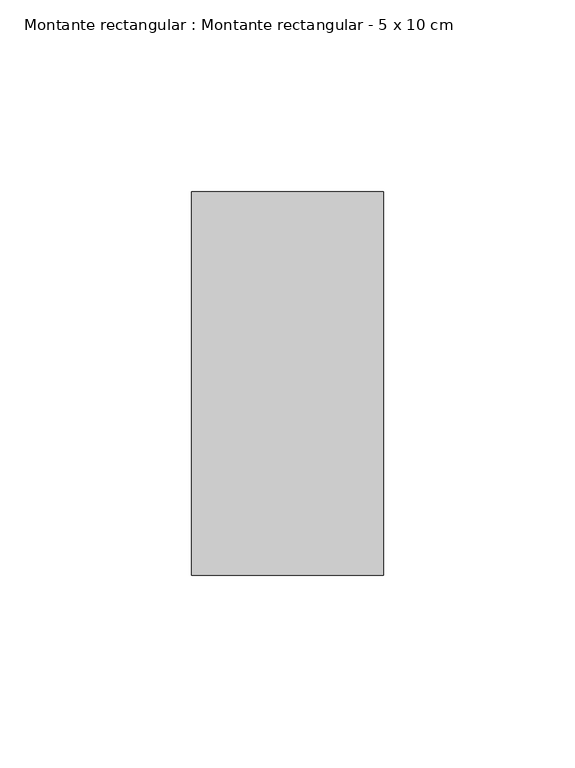
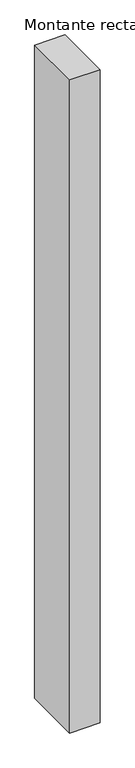
"""IFC4 building model written with IfcOpenShell, lengths in millimetres: member geometry, Montante rectangular : Montante rectangular - 5 x 10 cm."""

import ifcopenshell
import ifcopenshell.guid

model = None  # the IFC model being written
_history = None  # IfcOwnerHistory: only IFC2X3 demands one
_inside = {}  # id of a spatial element -> (the spatial element, [elements in it])
_under = {}  # id of a project, library or spatial element -> (it, [spatial elements below it])
_declared = {}  # id of a project -> (the project, [libraries it declares])
_typed = {}  # id of a type object -> (the type object, [elements of that type])
_made_of = {}  # id of a material, layer set ... -> (it, [elements and type objects made of it])


def new_model(schema):
    """Start an empty IFC model of exactly this schema.

    Asked for "IFC4X3", IfcOpenShell would pick the latest addendum, in which some entities
    have other attributes; the version numbers below select the first issue.
    IFC2X3 requires an IfcOwnerHistory on every rooted entity: one is made here for all.
    """
    global model, _history
    if schema == "IFC4X3":
        model = ifcopenshell.file(schema_version=(4, 3, 0, 0))
    else:
        model = ifcopenshell.file(schema=schema)
    _inside.clear()
    _under.clear()
    _declared.clear()
    _typed.clear()
    _made_of.clear()
    _history = None
    if model.schema == "IFC2X3":
        org = make("IfcOrganization", Name="unknown")
        user = make(
            "IfcPersonAndOrganization",
            ThePerson=make("IfcPerson", FamilyName="unknown"),
            TheOrganization=org,
        )
        app = make(
            "IfcApplication",
            ApplicationDeveloper=org,
            Version="unknown",
            ApplicationFullName="unknown",
            ApplicationIdentifier="unknown",
        )
        _history = make(
            "IfcOwnerHistory",
            OwningUser=user,
            OwningApplication=app,
            ChangeAction="ADDED",
            CreationDate=0,
        )
    return model


def make(cls, **values):
    """One entity of the class cls with the attributes given. An attribute that is None is left unset."""
    return model.create_entity(
        cls, **{name: value for name, value in values.items() if value is not None}
    )


def rooted(cls, **values):
    """An entity with a GlobalId (a new one), such as an element, a storey or a relation."""
    return make(cls, GlobalId=ifcopenshell.guid.new(), OwnerHistory=_history, **values)


def si_unit(unit_type, name, prefix=None):
    """IfcSIUnit, for example si_unit("LENGTHUNIT", "METRE", prefix="MILLI")."""
    return make("IfcSIUnit", UnitType=unit_type, Prefix=prefix, Name=name)


def assignment(units):
    """IfcUnitAssignment: the units of a project."""
    return None if units is None else make("IfcUnitAssignment", Units=units)


def point(xyz):
    """IfcCartesianPoint."""
    return None if xyz is None else make("IfcCartesianPoint", Coordinates=xyz)


def direction(xyz):
    """IfcDirection."""
    return None if xyz is None else make("IfcDirection", DirectionRatios=xyz)


def frame(location, z_axis=None, x_axis=None):
    """IfcAxis2Placement3D, a coordinate frame: its origin and axes. An axis left out is left unset."""
    return make(
        "IfcAxis2Placement3D",
        Location=point(location),
        Axis=direction(z_axis),
        RefDirection=direction(x_axis),
    )


def origin():
    """The frame at (0, 0, 0) with its axes left unset."""
    return frame((0.0, 0.0, 0.0))


def place(relative_to, where):
    """IfcLocalPlacement: puts the frame where relative to a parent placement (None: the world)."""
    return make(
        "IfcLocalPlacement", PlacementRelTo=relative_to, RelativePlacement=where
    )


def context(
    kind, dimensions, precision=None, world=None, true_north=None, identifier=None
):
    """IfcGeometricRepresentationContext, for example the 3D "Model" context."""
    return make(
        "IfcGeometricRepresentationContext",
        ContextIdentifier=identifier,
        ContextType=kind,
        CoordinateSpaceDimension=dimensions,
        Precision=precision,
        WorldCoordinateSystem=world,
        TrueNorth=true_north,
    )


def project(units=None, contexts=None):
    """IfcProject with its units and contexts."""
    return rooted(
        "IfcProject",
        Name="project",
        RepresentationContexts=contexts,
        UnitsInContext=assignment(units),
    )


def spatial(cls, under=None, at=None, **own):
    """A site, building, storey or space (cls), placed at a placement, below another one or the project."""
    s = rooted(cls, ObjectPlacement=at, **own)
    if under is not None:
        _under.setdefault(under.id(), (under, []))[1].append(s)
    return s


def polyline(points):
    """IfcPolyline through the points."""
    return make("IfcPolyline", Points=[point(p) for p in points])


def outline(outer, holes=None, kind="AREA"):
    """IfcArbitraryClosedProfileDef: a profile drawn as a closed curve; with holes, ...WithVoids."""
    if holes is None:
        return make("IfcArbitraryClosedProfileDef", ProfileType=kind, OuterCurve=outer)
    return make(
        "IfcArbitraryProfileDefWithVoids",
        ProfileType=kind,
        OuterCurve=outer,
        InnerCurves=holes,
    )


def extrude(swept, where, along, depth):
    """IfcExtrudedAreaSolid: the profile swept, set in the frame where, extruded along a direction by depth."""
    return make(
        "IfcExtrudedAreaSolid",
        SweptArea=swept,
        Position=where,
        ExtrudedDirection=direction(along),
        Depth=depth,
    )


def shape(context_of_items, identifier, shape_type, items):
    """IfcShapeRepresentation: the items that make up one representation, for example the "Body"."""
    return make(
        "IfcShapeRepresentation",
        ContextOfItems=context_of_items,
        RepresentationIdentifier=identifier,
        RepresentationType=shape_type,
        Items=items,
    )


def source(mapping_origin, context_of_items, identifier, shape_type, items):
    """IfcRepresentationMap: a shape defined once, which mapped items show again and again."""
    return make(
        "IfcRepresentationMap",
        MappingOrigin=mapping_origin,
        MappedRepresentation=shape(context_of_items, identifier, shape_type, items),
    )


def transform(
    local_origin,
    x_axis=None,
    y_axis=None,
    z_axis=None,
    scale=None,
    scale2=None,
    scale3=None,
    uniform=True,
):
    """IfcCartesianTransformationOperator3D, or its non-uniform kind. x_axis, y_axis, z_axis: its Axis1, 2, 3."""
    if uniform:
        return make(
            "IfcCartesianTransformationOperator3D",
            Axis1=direction(x_axis),
            Axis2=direction(y_axis),
            LocalOrigin=point(local_origin),
            Scale=scale,
            Axis3=direction(z_axis),
        )
    return make(
        "IfcCartesianTransformationOperator3DnonUniform",
        Axis1=direction(x_axis),
        Axis2=direction(y_axis),
        LocalOrigin=point(local_origin),
        Scale=scale,
        Axis3=direction(z_axis),
        Scale2=scale2,
        Scale3=scale3,
    )


def mapped(mapping_source, mapping_target):
    """IfcMappedItem: shows the shape of a source again, moved by a transform."""
    return make(
        "IfcMappedItem", MappingSource=mapping_source, MappingTarget=mapping_target
    )


def made_of(thing, what):
    """Note that an element or type object is made of a material, layer set ...; save() writes the relation."""
    if what is not None:
        _made_of.setdefault(what.id(), (what, []))[1].append(thing)
    return thing


def element(
    cls,
    number,
    at=None,
    inside=None,
    cuts=None,
    type_object=None,
    material=None,
    context=None,
    identifier="Body",
    shape_type=None,
    held_by="IfcProductDefinitionShape",
    body=None,
    shapes=None,
    **own,
):
    """One element of the class cls, such as IfcWall. Its Tag is "e" and its number.

    at: its placement. inside: the storey or other place that contains it. cuts: it is an
    opening in that element (IfcRelVoidsElement). A single representation is given by context,
    identifier, shape_type and body (its items); several are given by shapes. held_by: the class
    of the entity that holds the representations. save() writes the other relations.
    """
    e = rooted(cls, Tag="e%d" % number, ObjectPlacement=at, **own)
    if body is not None:
        shapes = [shape(context, identifier, shape_type, body)]
    if shapes is not None:
        e.Representation = make(held_by, Representations=shapes)
    if inside is not None:
        _inside.setdefault(inside.id(), (inside, []))[1].append(e)
    if cuts is not None:
        rooted(
            "IfcRelVoidsElement", RelatingBuildingElement=cuts, RelatedOpeningElement=e
        )
    if type_object is not None:
        _typed.setdefault(type_object.id(), (type_object, []))[1].append(e)
    return made_of(e, material)


def aggregate(whole, parts):
    """IfcRelAggregates: a whole, such as a stair, and the parts it consists of."""
    return rooted("IfcRelAggregates", RelatingObject=whole, RelatedObjects=parts)


def save(model, path):
    """Write the relations noted so far, then the file.

    IfcRelAggregates (storeys below a building ...), IfcRelContainedInSpatialStructure (elements
    in a storey), IfcRelDefinesByType, IfcRelAssociatesMaterial and IfcRelDeclares: one each for
    every whole, place, type object, material and project.
    """
    for whole, parts in _under.values():
        aggregate(whole, parts)
    for where, things in _inside.values():
        rooted(
            "IfcRelContainedInSpatialStructure",
            RelatedElements=things,
            RelatingStructure=where,
        )
    for kind, things in _typed.values():
        rooted("IfcRelDefinesByType", RelatedObjects=things, RelatingType=kind)
    for what, things in _made_of.values():
        rooted("IfcRelAssociatesMaterial", RelatedObjects=things, RelatingMaterial=what)
    for by, libraries in _declared.values():
        rooted("IfcRelDeclares", RelatingContext=by, RelatedDefinitions=libraries)
    model.write(path)


def montante_rectangular_montante_rectangular_5_x_10_cm_448a7041(model_context):
    return source(origin(), model_context, "Body", "SweptSolid", [
        extrude(outline(polyline([(0.0, 50.0), (0.0, -50.0), (-50.0, -50.0), (-50.0, 50.0), (0.0, 50.0)])), frame((0.0, 0.0, -1140.0), z_axis=(0.0, 0.0, 1.0), x_axis=(1.0, 0.0, 0.0)), (0.0, 0.0, 1.0), 1140.0),
    ])


if __name__ == "__main__":
    model = new_model("IFC4")
    model_context = context("Model", 3, world=origin())
    ifc_project = project(units=[si_unit("LENGTHUNIT", "METRE", prefix="MILLI")], contexts=[model_context])
    site = spatial("IfcSite", under=ifc_project)
    building = spatial("IfcBuilding", under=site)
    placement = place(None, origin())
    montante_rectangular_montante_rectangular_5_x_10_cm_shape = montante_rectangular_montante_rectangular_5_x_10_cm_448a7041(model_context)
    element("IfcMember", 1, ObjectType="Montante rectangular : Montante rectangular - 5 x 10 cm", at=placement, inside=building, context=model_context, shape_type="MappedRepresentation", body=[
        mapped(montante_rectangular_montante_rectangular_5_x_10_cm_shape, transform((0.0, 0.0, 0.0), x_axis=(1.0, 0.0, 0.0), y_axis=(0.0, 1.0, 0.0), z_axis=(0.0, 0.0, 1.0))),
    ])
    save(model, "model.ifc")
